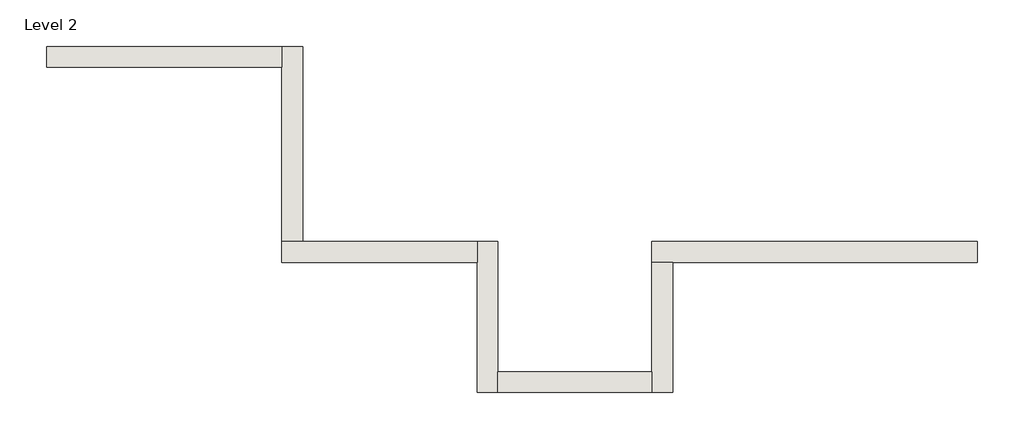
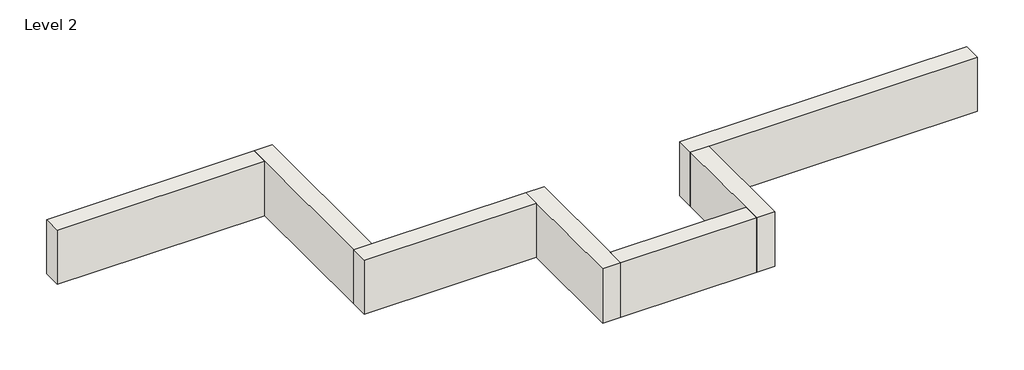
# One storey: 7 walls.
"""IFC4 building model written with IfcOpenShell, lengths in millimetres."""

from ifc_helpers import new_model, si_unit, frame, origin, place, context, project, spatial, polyline, outline, extrude, faceted_brep, element, save

model = new_model("IFC4")

# Units and contexts
model_context = context("Model", 3, world=origin())
ifc_project = project(units=[si_unit("LENGTHUNIT", "METRE", prefix="MILLI")], contexts=[model_context])

# Site, building, storey
site = spatial("IfcSite", under=ifc_project)
building = spatial("IfcBuilding", under=site)
storey = spatial("IfcBuildingStorey", under=building, Name="Level 2", Elevation=3048.0)

# Walls
placement = place(None, origin())
element("IfcWall", 1, ObjectType="Generic - 8\" Brick", at=placement, inside=storey, context=model_context, shape_type="Brep", body=[
    faceted_brep([(4683.082857, 1412.8726187, 3048.0), (3657.557857, 1412.8726187, 3048.0), (1635.0852383, 1412.8726187, 3048.0), (1635.0852383, 1412.8726187, 3657.6), (4683.082857, 1412.8726187, 3657.6), (4683.082857, 1219.1976187, 3048.0), (4683.082857, 1219.1976187, 3657.6), (1828.7602383, 1219.1976187, 3657.6), (1635.0852383, 1219.1976187, 3657.6), (1635.0852383, 1219.1976187, 3048.0), (1828.7602383, 1219.1976187, 3048.0), (3657.557857, 1219.1976187, 3048.0)], [[[0, 1, 2, 3, 4]], [[5, 6, 7, 8, 9, 10, 11]], [[2, 1, 0, 5, 11, 10, 9]], [[4, 3, 8, 7, 6]], [[3, 2, 9, 8]], [[0, 4, 6, 5]]]),
])
element("IfcWall", 2, ObjectType="Generic - 8\" Brick", at=placement, inside=storey, context=model_context, shape_type="Brep", body=[
    faceted_brep([(1635.0852383, 1219.1976187, 3048.0), (1635.0852383, 193.675, 3048.0), (1635.0852383, 0.0, 3048.0), (1635.0852383, 0.0, 3657.6), (1635.0852383, 193.675, 3657.6), (1635.0852383, 1219.1976187, 3657.6), (1828.7602383, 1219.1976187, 3048.0), (1828.7602383, 1219.1976187, 3657.6), (1828.7602383, 0.0, 3657.6), (1828.7602383, 0.0, 3048.0)], [[[0, 1, 2, 3, 4, 5]], [[6, 7, 8, 9]], [[2, 1, 0, 6, 9]], [[5, 4, 3, 8, 7]], [[0, 5, 7, 6]], [[3, 2, 9, 8]]]),
])
element("IfcWall", 3, ObjectType="Generic - 8\" Brick", at=placement, inside=storey, context=model_context, shape_type="SweptSolid", body=[
    extrude(outline(polyline([(193.632857, 193.675), (1635.0852383, 193.675), (1635.0852383, 0.0), (193.632857, 0.0), (193.632857, 193.675)])), frame((0.0, 0.0, 3048.0), z_axis=(0.0, 0.0, 1.0), x_axis=(1.0, 0.0, 0.0)), (0.0, 0.0, 1.0), 609.6),
])
element("IfcWall", 4, ObjectType="Generic - 8\" Brick", at=placement, inside=storey, context=model_context, shape_type="Brep", body=[
    faceted_brep([(193.632857, 0.0, 3048.0), (193.632857, 193.675, 3048.0), (193.632857, 1412.8726187, 3048.0), (193.632857, 1412.8726187, 3657.6), (193.632857, 193.675, 3657.6), (193.632857, 0.0, 3657.6), (-0.042143, 0.0, 3048.0), (-0.042143, 0.0, 3657.6), (-0.042143, 1219.1976187, 3657.6), (-0.042143, 1412.8726187, 3657.6), (-0.042143, 1412.8726187, 3048.0), (-0.042143, 1219.1976187, 3048.0)], [[[0, 1, 2, 3, 4, 5]], [[6, 7, 8, 9, 10, 11]], [[2, 1, 0, 6, 11, 10]], [[5, 4, 3, 9, 8, 7]], [[0, 5, 7, 6]], [[3, 2, 10, 9]]]),
])
element("IfcWall", 5, ObjectType="Generic - 8\" Brick", at=placement, inside=storey, context=model_context, shape_type="Brep", body=[
    faceted_brep([(-0.042143, 1412.8726187, 3048.0), (-1635.135393, 1412.8726187, 3048.0), (-1828.810393, 1412.8726187, 3048.0), (-1828.810393, 1412.8726187, 3657.6), (-1635.135393, 1412.8726187, 3657.6), (-0.042143, 1412.8726187, 3657.6), (-0.042143, 1219.1976187, 3048.0), (-0.042143, 1219.1976187, 3657.6), (-1828.810393, 1219.1976187, 3657.6), (-1828.810393, 1219.1976187, 3048.0)], [[[0, 1, 2, 3, 4, 5]], [[6, 7, 8, 9]], [[2, 1, 0, 6, 9]], [[5, 4, 3, 8, 7]], [[0, 5, 7, 6]], [[3, 2, 9, 8]]]),
])
element("IfcWall", 6, ObjectType="Generic - 8\" Brick", at=placement, inside=storey, context=model_context, shape_type="Brep", body=[
    faceted_brep([(-1635.135393, 1412.8726187, 3048.0), (-1635.135393, 3241.6590504, 3048.0), (-1635.135393, 3241.6590504, 3657.6), (-1635.135393, 1412.8726187, 3657.6), (-1828.810393, 1412.8726187, 3048.0), (-1828.810393, 1412.8726187, 3657.6), (-1828.810393, 3047.9840504, 3657.6), (-1828.810393, 3241.6590504, 3657.6), (-1828.810393, 3241.6590504, 3048.0), (-1828.810393, 3047.9840504, 3048.0)], [[[0, 1, 2, 3]], [[4, 5, 6, 7, 8, 9]], [[1, 0, 4, 9, 8]], [[3, 2, 7, 6, 5]], [[0, 3, 5, 4]], [[2, 1, 8, 7]]]),
])
element("IfcWall", 7, ObjectType="Generic - 8\" Brick", at=placement, inside=storey, context=model_context, shape_type="Brep", body=[
    faceted_brep([(-1828.810393, 3241.6590504, 3048.0), (-3657.597726, 3241.6590504, 3048.0), (-4033.4113202, 3241.6590504, 3048.0), (-4033.4113202, 3241.6590504, 3657.6), (-1828.810393, 3241.6590504, 3657.6), (-1828.810393, 3047.9840504, 3048.0), (-1828.810393, 3047.9840504, 3657.6), (-4033.4113202, 3047.9840504, 3657.6), (-4033.4113202, 3047.9840504, 3048.0), (-3657.597726, 3047.9840504, 3048.0)], [[[0, 1, 2, 3, 4]], [[5, 6, 7, 8, 9]], [[2, 1, 0, 5, 9, 8]], [[4, 3, 7, 6]], [[0, 4, 6, 5]], [[3, 2, 8, 7]]]),
])

save(model, "model.ifc")
